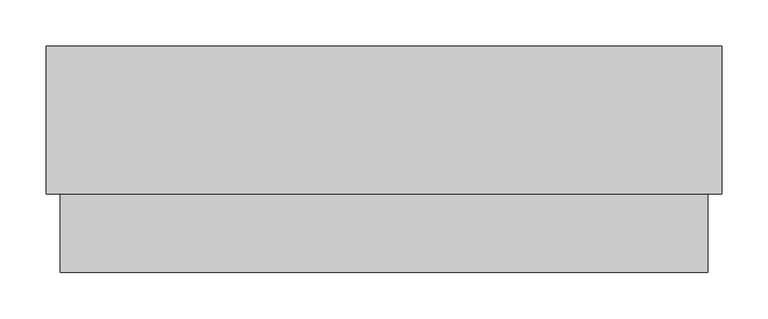
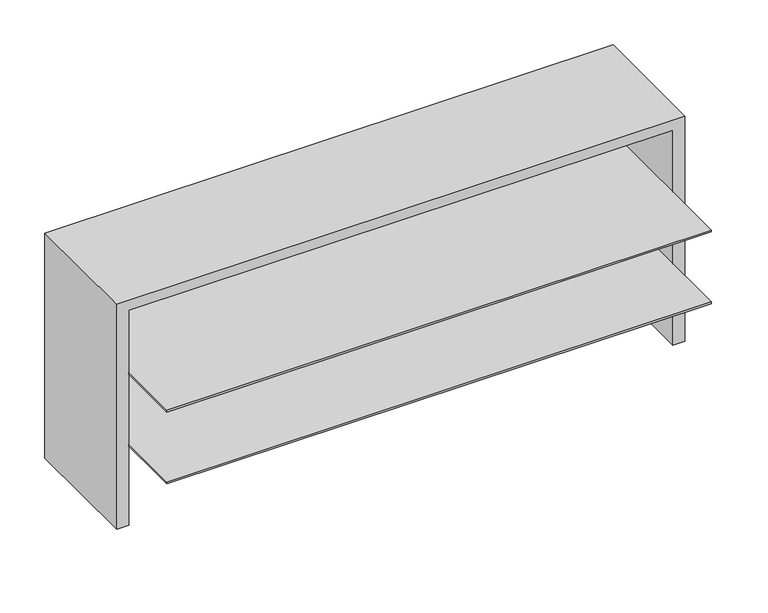
"""IFC4 building model written with IfcOpenShell, lengths in millimetres: furniture geometry."""

from ifc_helpers import new_model, si_unit, frame, origin, place, context, project, spatial, polyline, outline, extrude, faceted_brep, source, transform, mapped, element, save


def furniture_8b862841(model_context):
    return source(origin(), model_context, "Body", "SolidModel", [
        extrude(outline(polyline([(732.028, -3.048), (732.028, -159.893), (719.709, -159.893), (719.709, -22.225), (16.891, -22.225), (16.891, -159.893), (4.572, -159.893), (4.572, -3.048), (732.028, -3.048)])), frame((0.0, 0.0, 736.6), z_axis=(0.0, 0.0, 1.0), x_axis=(1.0, 0.0, 0.0)), (0.0, 0.0, 1.0), 0.8128),
        extrude(outline(polyline([(718.185, -246.46382), (18.415, -246.46382), (18.415, -23.749), (718.185, -23.749), (718.185, -246.46382)])), frame((0.0, 0.0, 943.0088667), z_axis=(0.0, 0.0, 1.0), x_axis=(1.0, 0.0, 0.0)), (0.0, 0.0, 1.0), 2.54),
        extrude(outline(polyline([(718.185, -246.46382), (18.415, -246.46382), (18.415, -23.749), (718.185, -23.749), (718.185, -246.46382)])), frame((0.0, 0.0, 845.3289333), z_axis=(0.0, 0.0, 1.0), x_axis=(1.0, 0.0, 0.0)), (0.0, 0.0, 1.0), 2.54),
        faceted_brep([(733.552, -161.417, 1043.2288), (3.048, -161.417, 1043.2288), (3.048, -161.417, 737.4128), (18.415, -161.417, 737.4128), (18.415, -161.417, 1029.6398), (718.185, -161.417, 1029.6398), (718.185, -161.417, 737.4128), (733.552, -161.417, 737.4128), (733.552, -1.524, 1043.2288), (733.552, -1.524, 737.4128), (3.048, -1.524, 737.4128), (3.048, -1.524, 1043.2288), (718.185, -23.749, 737.4128), (18.415, -23.749, 737.4128), (718.185, -23.749, 1029.6398), (18.415, -23.749, 1029.6398)], [[[0, 1, 2, 3, 4, 5, 6, 7]], [[8, 9, 10, 11]], [[1, 0, 8, 11]], [[2, 1, 11, 10]], [[10, 9, 7, 6, 12, 13, 3, 2]], [[0, 7, 9, 8]], [[14, 15, 13, 12]], [[15, 14, 5, 4]], [[15, 4, 3, 13]], [[5, 14, 12, 6]]]),
    ])


if __name__ == "__main__":
    model = new_model("IFC4")
    model_context = context("Model", 3, world=origin())
    ifc_project = project(units=[si_unit("LENGTHUNIT", "METRE", prefix="MILLI")], contexts=[model_context])
    site = spatial("IfcSite", under=ifc_project)
    building = spatial("IfcBuilding", under=site)
    placement = place(None, origin())
    furniture_shape = furniture_8b862841(model_context)
    element("IfcFurniture", 1, at=placement, inside=building, context=model_context, shape_type="MappedRepresentation", body=[
        mapped(furniture_shape, transform((0.0, 0.0, 0.0), x_axis=(1.0, 0.0, 0.0), y_axis=(0.0, 1.0, 0.0), z_axis=(0.0, 0.0, 1.0))),
    ])
    save(model, "model.ifc")
